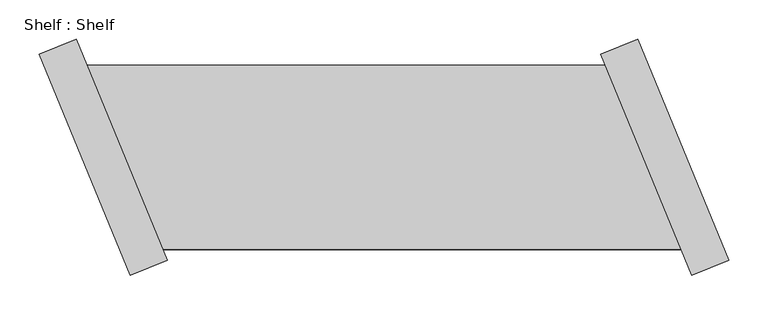
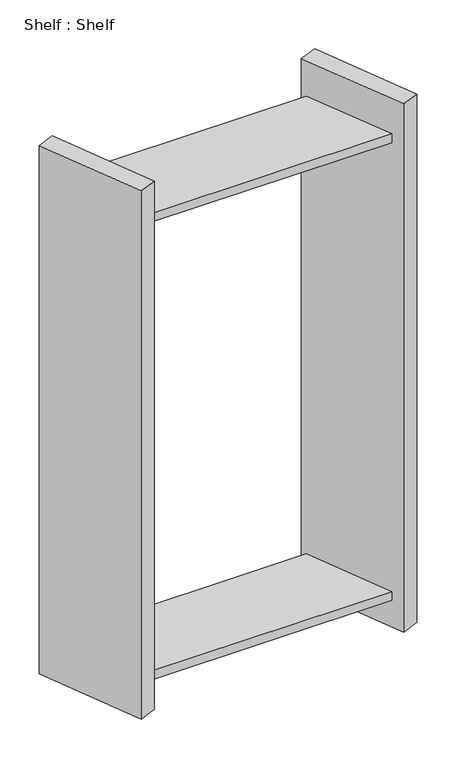
"""IFC4 building model written with IfcOpenShell, lengths in millimetres: proxy geometry, Shelf : Shelf."""

from ifc_helpers import new_model, si_unit, origin, place, context, project, spatial, faceted_brep, source, transform, mapped, element, save


def shelf_shelf_5e279cef(model_context):
    return source(origin(), model_context, "Body", "Brep", [
        faceted_brep([(-471.6735814, 117.4315288, 1422.4), (-471.6735814, 117.4315288, 1397.0), (-1132.8311303, 117.4315288, 1397.0), (-1132.8311303, 117.4315288, 1422.4), (-374.9505534, -117.4315288, 1397.0), (-1036.1081024, -117.4315288, 1397.0), (-374.9505534, -117.4315288, 1422.4), (-1036.1081024, -117.4315288, 1422.4), (-430.3899539, 150.5901374, 0.0), (-314.3223204, -131.2455318, 0.0), (-361.2949319, -150.5901374, 0.0), (-477.3625655, 131.2455318, 0.0), (-314.3223204, -131.2455318, 1524.0), (-361.2949319, -150.5901374, 1524.0), (-430.3899539, 150.5901374, 1524.0), (-477.3625655, 131.2455318, 1524.0), (-374.9505534, -117.4315288, 76.2), (-471.6735814, 117.4315288, 76.2), (-471.6735814, 117.4315288, 101.6), (-374.9505534, -117.4315288, 101.6), (-1036.1081024, -117.4315288, 76.2), (-1132.8311303, 117.4315288, 76.2), (-1036.1081024, -117.4315288, 101.6), (-1132.8311303, 117.4315288, 101.6), (-1077.3917298, -150.5901374, 0.0), (-1193.4593634, 131.2455318, 0.0), (-1146.4867518, 150.5901374, 0.0), (-1030.4191183, -131.2455318, 0.0), (-1030.4191183, -131.2455318, 1524.0), (-1077.3917298, -150.5901374, 1524.0), (-1146.4867518, 150.5901374, 1524.0), (-1193.4593634, 131.2455318, 1524.0)], [[[0, 1, 2, 3]], [[1, 4, 5, 2]], [[4, 6, 7, 5]], [[6, 0, 3, 7]], [[8, 9, 10, 11]], [[10, 9, 12, 13]], [[13, 12, 14, 15]], [[8, 11, 15, 14]], [[11, 10, 13, 15], [1, 0, 6, 4], [16, 17, 18, 19]], [[9, 8, 14, 12]], [[17, 16, 20, 21]], [[16, 19, 22, 20]], [[19, 18, 23, 22]], [[18, 17, 21, 23]], [[24, 25, 26, 27]], [[24, 27, 28, 29]], [[29, 28, 30, 31]], [[26, 25, 31, 30]], [[27, 26, 30, 28], [3, 2, 5, 7], [21, 20, 22, 23]], [[25, 24, 29, 31]]]),
    ])


if __name__ == "__main__":
    model = new_model("IFC4")
    model_context = context("Model", 3, world=origin())
    ifc_project = project(units=[si_unit("LENGTHUNIT", "METRE", prefix="MILLI")], contexts=[model_context])
    site = spatial("IfcSite", under=ifc_project)
    building = spatial("IfcBuilding", under=site)
    placement = place(None, origin())
    shelf_shelf_shape = shelf_shelf_5e279cef(model_context)
    element("IfcBuildingElementProxy", 1, Name="Shelf : Shelf", ObjectType="Shelf : Shelf", at=placement, inside=building, context=model_context, shape_type="MappedRepresentation", body=[
        mapped(shelf_shelf_shape, transform((0.0, 0.0, 0.0), x_axis=(1.0, 0.0, 0.0), y_axis=(0.0, 1.0, 0.0), z_axis=(0.0, 0.0, 1.0))),
    ])
    save(model, "model.ifc")
